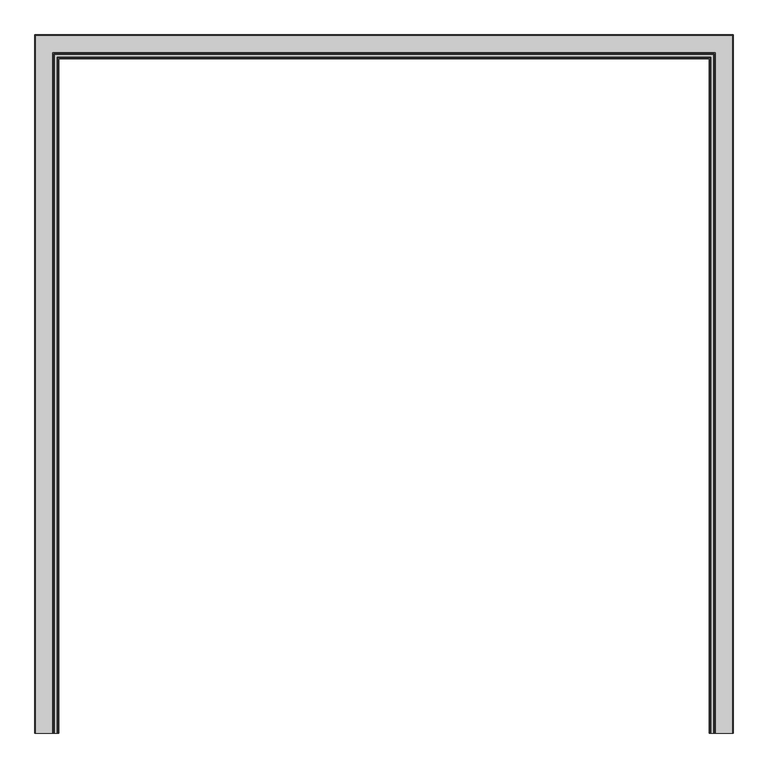
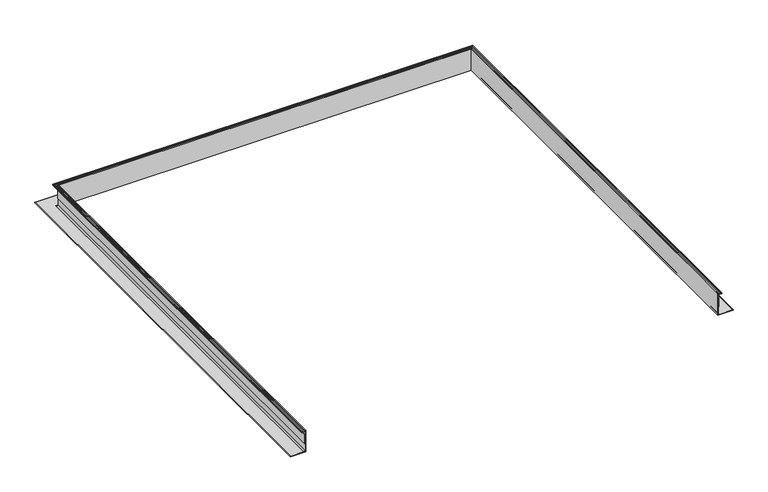
"""IFC4 building model written with IfcOpenShell, lengths in millimetres: fastener geometry."""

from ifc_helpers import new_model, si_unit, frame, origin, place, context, project, spatial, polyline, circle_curve, ellipse_curve, outline, extrude, source, transform, mapped, element, save
from ifc_brep_helpers import plane_surface, cylinder_surface, revolved_surface, advanced_brep


def fastener_108085fb(model_context):
    return source(origin(), model_context, "Body", "SolidModel", [
        advanced_brep(
        [(-1135.3165, -1219.2, -15.1804688), (-1141.2343456, -1219.2, -15.1804688), (-1141.460117, -1219.2, -17.1999455), (-1140.3710112, -1219.2, -18.2679836), (-1140.8594568, -1219.2, -19.21101), (-1152.5091166, -1219.2, -19.21101), (-1152.9649499, -1219.2, -18.2679836), (-1151.9131963, -1219.2, -17.1999455), (-1152.1178999, -1219.2, -15.1804688), (-1156.2117258, -1219.2, -15.1804688), (-1156.2117258, -1219.2, -21.87801), (-1137.9835, -1219.2, -21.87801), (-1137.9835, -1219.2, -129.2836108), (-1145.5344517, -1219.2, -136.8345625), (-1217.8665, -1219.2, -136.8345625), (-1217.8665, -1219.2, -139.5015625), (-1135.3165, -1219.2, -139.5015625), (1135.3165, -1219.2, -15.1804688), (1135.3165, -1219.2, -139.5015625), (1217.8665, -1219.2, -139.5015625), (1217.8665, -1219.2, -136.8345625), (1145.5344517, -1219.2, -136.8345625), (1137.9835, -1219.2, -129.2836108), (1137.9835, -1219.2, -21.87801), (1156.2117258, -1219.2, -21.87801), (1156.2117258, -1219.2, -15.1804688), (1152.1178999, -1219.2, -15.1804688), (1151.9131963, -1219.2, -17.1999455), (1152.9649499, -1219.2, -18.2679836), (1152.5091166, -1219.2, -19.21101), (1140.8594568, -1219.2, -19.21101), (1140.3710112, -1219.2, -18.2679836), (1141.460117, -1219.2, -17.1999455), (1141.2343456, -1219.2, -15.1804688), (-1141.460117, 1141.460117, -17.1999455), (-1141.2343456, 1141.2343456, -15.1804688), (1141.2343456, 1141.2343456, -15.1804688), (1141.460117, 1141.460117, -17.1999455), (-1140.3710112, 1140.3710112, -18.2679836), (1140.3710112, 1140.3710112, -18.2679836), (-1140.8594568, 1140.8594568, -19.21101), (1140.8594568, 1140.8594568, -19.21101), (-1152.9649499, 1152.9649499, -18.2679836), (-1152.5091166, 1152.5091166, -19.21101), (1152.5091166, 1152.5091166, -19.21101), (1152.9649499, 1152.9649499, -18.2679836), (-1151.9131963, 1151.9131963, -17.1999455), (1151.9131963, 1151.9131963, -17.1999455), (-1152.1178999, 1152.1178999, -15.1804688), (1152.1178999, 1152.1178999, -15.1804688), (-1156.2117258, 1156.2117258, -21.87801), (-1156.2117258, 1156.2117258, -15.1804688), (1156.2117258, 1156.2117258, -15.1804688), (1156.2117258, 1156.2117258, -21.87801), (-1137.9835, 1137.9835, -129.2836108), (-1137.9835, 1137.9835, -21.87801), (1137.9835, 1137.9835, -21.87801), (1137.9835, 1137.9835, -129.2836108), (-1145.5344517, 1145.5344517, -136.8345625), (1145.5344517, 1145.5344517, -136.8345625), (-1217.8665, 1217.8665, -139.5015625), (-1217.8665, 1217.8665, -136.8345625), (1217.8665, 1217.8665, -136.8345625), (1217.8665, 1217.8665, -139.5015625), (-1135.3165, 1135.3165, -15.1804688), (-1135.3165, 1135.3165, -139.5015625), (1135.3165, 1135.3165, -139.5015625), (1135.3165, 1135.3165, -15.1804688)],
        [
            (0, 1),
            (1, 2, circle_curve(frame((-1140.5022273, -1219.2, -16.284676), z_axis=(0.0, -1.0, 0.0), x_axis=(-1.0, 0.0, 0.0)), 1.3248664)),
            (2, 3),
            (3, 4, circle_curve(frame((-1140.8594568, -1219.2, -18.6130003), z_axis=(0.0, 1.0, 0.0), x_axis=(-1.0, 0.0, 0.0)), 0.5980097)),
            (4, 5),
            (5, 6, circle_curve(frame((-1152.5091166, -1219.2, -18.6293281), z_axis=(0.0, 1.0, 0.0), x_axis=(-1.0, 0.0, 0.0)), 0.5816819)),
            (6, 7),
            (7, 8, circle_curve(frame((-1152.8274757, -1219.2, -16.2725079), z_axis=(0.0, -1.0, 0.0), x_axis=(-1.0, 0.0, 0.0)), 1.3023238)),
            (8, 9),
            (9, 10),
            (10, 11),
            (11, 12),
            (12, 13, circle_curve(frame((-1145.5344517, -1219.2, -129.2836108), z_axis=(0.0, 1.0, 0.0), x_axis=(-1.0, 0.0, 0.0)), 7.5509517)),
            (13, 14),
            (14, 15, circle_curve(frame((-1217.8665, -1219.2, -138.1680625), z_axis=(0.0, -1.0, 0.0), x_axis=(-1.0, 0.0, 0.0)), 1.3335)),
            (15, 16),
            (16, 0),
            (17, 18),
            (18, 19),
            (19, 20, circle_curve(frame((1217.8665, -1219.2, -138.1680625), z_axis=(0.0, -1.0, 0.0), x_axis=(1.0, 0.0, 0.0)), 1.3335)),
            (20, 21),
            (21, 22, circle_curve(frame((1145.5344517, -1219.2, -129.2836108), z_axis=(0.0, 1.0, 0.0), x_axis=(1.0, 0.0, 0.0)), 7.5509517)),
            (22, 23),
            (23, 24),
            (24, 25),
            (25, 26),
            (26, 27, circle_curve(frame((1152.8274757, -1219.2, -16.2725079), z_axis=(0.0, -1.0, 0.0), x_axis=(1.0, 0.0, 0.0)), 1.3023238)),
            (27, 28),
            (28, 29, circle_curve(frame((1152.5091166, -1219.2, -18.6293281), z_axis=(0.0, 1.0, 0.0), x_axis=(1.0, 0.0, 0.0)), 0.5816819)),
            (29, 30),
            (30, 31, circle_curve(frame((1140.8594568, -1219.2, -18.6130003), z_axis=(0.0, 1.0, 0.0), x_axis=(1.0, 0.0, 0.0)), 0.5980097)),
            (31, 32),
            (32, 33, circle_curve(frame((1140.5022273, -1219.2, -16.284676), z_axis=(0.0, -1.0, 0.0), x_axis=(1.0, 0.0, 0.0)), 1.3248664)),
            (33, 17),
            (34, 35, ellipse_curve(frame((-1140.5022273, 1140.5022273, -16.284676), z_axis=(0.7071067811865475, 0.7071067811865475, 0.0), x_axis=(-0.7071067811865476, 0.7071067811865474, 0.0)), 1.873644, 1.3248664)),
            (35, 36),
            (36, 37, ellipse_curve(frame((1140.5022273, 1140.5022273, -16.284676), z_axis=(-0.7071067811865475, 0.7071067811865475, 0.0), x_axis=(-0.7071067811865476, -0.7071067811865474, 0.0)), 1.873644, 1.3248664)),
            (37, 34),
            (38, 34),
            (37, 39),
            (39, 38),
            (40, 38, ellipse_curve(frame((-1140.8594568, 1140.8594568, -18.6130003), z_axis=(-0.7071067811865475, -0.7071067811865475, 0.0), x_axis=(0.7071067811865476, -0.7071067811865474, 0.0)), 0.8457134, 0.5980097)),
            (39, 41, ellipse_curve(frame((1140.8594568, 1140.8594568, -18.6130003), z_axis=(0.7071067811865475, -0.7071067811865475, 0.0), x_axis=(0.7071067811865476, 0.7071067811865474, 0.0)), 0.8457134, 0.5980097)),
            (41, 40),
            (42, 43, ellipse_curve(frame((-1152.5091166, 1152.5091166, -18.6293281), z_axis=(-0.7071067811865475, -0.7071067811865475, 0.0), x_axis=(0.7071067811865476, -0.7071067811865474, 0.0)), 0.8226224, 0.5816819)),
            (43, 44),
            (44, 45, ellipse_curve(frame((1152.5091166, 1152.5091166, -18.6293281), z_axis=(0.7071067811865475, -0.7071067811865475, 0.0), x_axis=(0.7071067811865476, 0.7071067811865474, 0.0)), 0.8226224, 0.5816819)),
            (45, 42),
            (46, 42),
            (45, 47),
            (47, 46),
            (48, 46, ellipse_curve(frame((-1152.8274757, 1152.8274757, -16.2725079), z_axis=(0.7071067811865475, 0.7071067811865475, 0.0), x_axis=(-0.7071067811865476, 0.7071067811865474, 0.0)), 1.841764, 1.3023238)),
            (47, 49, ellipse_curve(frame((1152.8274757, 1152.8274757, -16.2725079), z_axis=(-0.7071067811865475, 0.7071067811865475, 0.0), x_axis=(-0.7071067811865476, -0.7071067811865474, 0.0)), 1.841764, 1.3023238)),
            (49, 48),
            (50, 51),
            (51, 52),
            (52, 53),
            (53, 50),
            (54, 55),
            (55, 56),
            (56, 57),
            (57, 54),
            (58, 54, ellipse_curve(frame((-1145.5344517, 1145.5344517, -129.2836108), z_axis=(-0.7071067811865475, -0.7071067811865475, 0.0), x_axis=(0.7071067811865476, -0.7071067811865474, 0.0)), 10.6786583, 7.5509517)),
            (57, 59, ellipse_curve(frame((1145.5344517, 1145.5344517, -129.2836108), z_axis=(0.7071067811865475, -0.7071067811865475, 0.0), x_axis=(0.7071067811865476, 0.7071067811865474, 0.0)), 10.6786583, 7.5509517)),
            (59, 58),
            (60, 61, ellipse_curve(frame((-1217.8665, 1217.8665, -138.1680625), z_axis=(0.7071067811865475, 0.7071067811865475, 0.0), x_axis=(-0.7071067811865476, 0.7071067811865474, 0.0)), 1.8858538, 1.3335)),
            (61, 62),
            (62, 63, ellipse_curve(frame((1217.8665, 1217.8665, -138.1680625), z_axis=(-0.7071067811865475, 0.7071067811865475, 0.0), x_axis=(-0.7071067811865476, -0.7071067811865474, 0.0)), 1.8858538, 1.3335)),
            (63, 60),
            (64, 65),
            (65, 66),
            (66, 67),
            (67, 64),
            (0, 64),
            (67, 17),
            (33, 36),
            (35, 1),
            (34, 2),
            (38, 3),
            (40, 4),
            (41, 30),
            (29, 44),
            (43, 5),
            (42, 6),
            (46, 7),
            (48, 8),
            (49, 26),
            (25, 52),
            (51, 9),
            (50, 10),
            (53, 24),
            (23, 56),
            (55, 11),
            (54, 12),
            (58, 13),
            (59, 21),
            (20, 62),
            (61, 14),
            (60, 15),
            (63, 19),
            (18, 66),
            (65, 16),
            (32, 37),
            (31, 39),
            (28, 45),
            (27, 47),
            (22, 57),
        ],
        [
            plane_surface(frame((-1219.2, -1219.2, 0.0), z_axis=(0.0, -1.0, 0.0), x_axis=(0.0, 0.0, 1.0))),
            plane_surface(frame((1219.2, -1219.2, 0.0), z_axis=(0.0, -1.0, 0.0), x_axis=(0.0, 0.0, 1.0))),
            cylinder_surface(frame((-1219.2, 1140.5022273, -16.284676), z_axis=(-1.0, 0.0, 0.0), x_axis=(0.0, 1.0, 0.0)), 1.3248664),
            plane_surface(frame((-1141.460117, 1141.460117, -17.1999455), z_axis=(0.0, 0.7001674507589581, -0.7139786697778175), x_axis=(1.0, 0.0, 0.0))),
            revolved_surface(polyline([(1141.4574664800805, 1141.4574665, -18.6130003), (-1141.4574664800805, 1141.4574665, -18.6130003)]), (-1219.2, 1140.8594568, -18.6130003), (1.0, 0.0, 0.0)),
            revolved_surface(polyline([(1153.090798477396, 1153.0907985, -18.6293281), (-1153.090798477396, 1153.0907985, -18.6293281)]), (-1219.2, 1152.5091166, -18.6293281), (1.0, 0.0, 0.0)),
            plane_surface(frame((-1152.9649499, 1152.9649499, -18.2679836), z_axis=(0.0, -0.712517845964901, -0.7016539882175101), x_axis=(1.0, 0.0, 0.0))),
            cylinder_surface(frame((-1219.2, 1152.8274757, -16.2725079), z_axis=(-1.0, 0.0, 0.0), x_axis=(0.0, 1.0, 0.0)), 1.3023238),
            plane_surface(frame((-1156.2117258, 1156.2117258, -15.1804688), z_axis=(0.0, 1.0, 0.0), x_axis=(1.0, 0.0, 0.0))),
            plane_surface(frame((-1137.9835, 1137.9835, -21.87801), z_axis=(0.0, 1.0, 0.0), x_axis=(1.0, 0.0, 0.0))),
            revolved_surface(polyline([(1153.0854033979042, 1153.0854034000001, -129.2836108), (-1153.0854033979042, 1153.0854034000001, -129.2836108)]), (-1219.2, 1145.5344517, -129.2836108), (1.0, 0.0, 0.0)),
            cylinder_surface(frame((-1219.2, 1217.8665, -138.1680625), z_axis=(-1.0, 0.0, 0.0), x_axis=(0.0, 1.0, 0.0)), 1.3335),
            plane_surface(frame((-1135.3165, 1135.3165, -139.5015625), z_axis=(0.0, -1.0, 0.0), x_axis=(1.0, 0.0, 0.0))),
            plane_surface(frame((-1135.3165, -1219.2, -15.1804688), z_axis=(0.0, 0.0, 1.0), x_axis=(0.0, 1.0, 0.0))),
            cylinder_surface(frame((-1140.5022273, -1219.2, -16.284676), z_axis=(0.0, -1.0, 0.0), x_axis=(-1.0, 0.0, 0.0)), 1.3248664),
            plane_surface(frame((-1141.460117, -1219.2, -17.1999455), z_axis=(-0.7001674507589581, 0.0, -0.7139786697778175), x_axis=(0.0, 1.0, 0.0))),
            revolved_surface(polyline([(-1141.4574665, 1141.4574664800805, -18.6130003), (-1141.4574665, -1219.2, -18.6130003)]), (-1140.8594568, -1219.2, -18.6130003), (0.0, 1.0, 0.0)),
            plane_surface(frame((-1140.8594568, -1219.2, -19.21101), z_axis=(0.0, 0.0, 1.0), x_axis=(0.0, 1.0, 0.0))),
            revolved_surface(polyline([(-1153.0907985, 1153.090798477396, -18.6293281), (-1153.0907985, -1219.2, -18.6293281)]), (-1152.5091166, -1219.2, -18.6293281), (0.0, 1.0, 0.0)),
            plane_surface(frame((-1152.9649499, -1219.2, -18.2679836), z_axis=(0.712517845964901, 0.0, -0.7016539882175101), x_axis=(0.0, 1.0, 0.0))),
            cylinder_surface(frame((-1152.8274757, -1219.2, -16.2725079), z_axis=(0.0, -1.0, 0.0), x_axis=(-1.0, 0.0, 0.0)), 1.3023238),
            plane_surface(frame((-1152.1178999, -1219.2, -15.1804688), z_axis=(0.0, 0.0, 1.0), x_axis=(0.0, 1.0, 0.0))),
            plane_surface(frame((-1156.2117258, -1219.2, -15.1804688), z_axis=(-1.0, 0.0, 0.0), x_axis=(0.0, 1.0, 0.0))),
            plane_surface(frame((-1156.2117258, -1219.2, -21.87801), z_axis=(0.0, 0.0, -1.0), x_axis=(0.0, 1.0, 0.0))),
            plane_surface(frame((-1137.9835, -1219.2, -21.87801), z_axis=(-1.0, 0.0, 0.0), x_axis=(0.0, 1.0, 0.0))),
            revolved_surface(polyline([(-1153.0854034000001, 1153.0854033979042, -129.2836108), (-1153.0854034000001, -1219.2, -129.2836108)]), (-1145.5344517, -1219.2, -129.2836108), (0.0, 1.0, 0.0)),
            plane_surface(frame((-1145.5344517, -1219.2, -136.8345625), z_axis=(0.0, 0.0, 1.0), x_axis=(0.0, 1.0, 0.0))),
            cylinder_surface(frame((-1217.8665, -1219.2, -138.1680625), z_axis=(0.0, -1.0, 0.0), x_axis=(-1.0, 0.0, 0.0)), 1.3335),
            plane_surface(frame((-1217.8665, -1219.2, -139.5015625), z_axis=(0.0, 0.0, -1.0), x_axis=(0.0, 1.0, 0.0))),
            plane_surface(frame((-1135.3165, -1219.2, -139.5015625), z_axis=(1.0, 0.0, 0.0), x_axis=(0.0, 1.0, 0.0))),
            cylinder_surface(frame((1140.5022273, 1219.2, -16.284676), z_axis=(0.0, 1.0, 0.0), x_axis=(1.0, 0.0, 0.0)), 1.3248664),
            plane_surface(frame((1141.460117, 1141.460117, -17.1999455), z_axis=(0.7001674507589581, 0.0, -0.7139786697778175), x_axis=(0.0, -1.0, 0.0))),
            revolved_surface(polyline([(1141.4574665, -1219.2, -18.6130003), (1141.4574665, 1141.4574664800805, -18.6130003)]), (1140.8594568, 1219.2, -18.6130003), (0.0, -1.0, 0.0)),
            revolved_surface(polyline([(1153.0907985, -1219.2, -18.6293281), (1153.0907985, 1153.090798477396, -18.6293281)]), (1152.5091166, 1219.2, -18.6293281), (0.0, -1.0, 0.0)),
            plane_surface(frame((1152.9649499, 1152.9649499, -18.2679836), z_axis=(-0.712517845964901, 0.0, -0.7016539882175101), x_axis=(0.0, -1.0, 0.0))),
            cylinder_surface(frame((1152.8274757, 1219.2, -16.2725079), z_axis=(0.0, 1.0, 0.0), x_axis=(1.0, 0.0, 0.0)), 1.3023238),
            plane_surface(frame((1156.2117258, 1156.2117258, -15.1804688), z_axis=(1.0, 0.0, 0.0), x_axis=(0.0, -1.0, 0.0))),
            plane_surface(frame((1137.9835, 1137.9835, -21.87801), z_axis=(1.0, 0.0, 0.0), x_axis=(0.0, -1.0, 0.0))),
            revolved_surface(polyline([(1153.0854034000001, -1219.2, -129.2836108), (1153.0854034000001, 1153.0854033979042, -129.2836108)]), (1145.5344517, 1219.2, -129.2836108), (0.0, -1.0, 0.0)),
            cylinder_surface(frame((1217.8665, 1219.2, -138.1680625), z_axis=(0.0, 1.0, 0.0), x_axis=(1.0, 0.0, 0.0)), 1.3335),
            plane_surface(frame((1135.3165, 1135.3165, -139.5015625), z_axis=(-1.0, 0.0, 0.0), x_axis=(0.0, -1.0, 0.0))),
        ],
        [
            (0, [[1, 2, 3, 4, 5, 6, 7, 8, 9, 10, 11, 12, 13, 14, 15, 16, 17]]),
            (1, [[18, 19, 20, 21, 22, 23, 24, 25, 26, 27, 28, 29, 30, 31, 32, 33, 34]]),
            (2, [[35, 36, 37, 38]]),
            (3, [[39, -38, 40, 41]]),
            (4, [[42, -41, 43, 44]]),
            (5, [[45, 46, 47, 48]]),
            (6, [[49, -48, 50, 51]]),
            (7, [[52, -51, 53, 54]]),
            (8, [[55, 56, 57, 58]]),
            (9, [[59, 60, 61, 62]]),
            (10, [[63, -62, 64, 65]]),
            (11, [[66, 67, 68, 69]]),
            (12, [[70, 71, 72, 73]]),
            (13, [[-1, 74, -73, 75, -34, 76, -36, 77]]),
            (14, [[-2, -77, -35, 78]]),
            (15, [[-3, -78, -39, 79]]),
            (16, [[-4, -79, -42, 80]]),
            (17, [[-5, -80, -44, 81, -30, 82, -46, 83]]),
            (18, [[-6, -83, -45, 84]]),
            (19, [[-7, -84, -49, 85]]),
            (20, [[-8, -85, -52, 86]]),
            (21, [[-9, -86, -54, 87, -26, 88, -56, 89]]),
            (22, [[-10, -89, -55, 90]]),
            (23, [[-11, -90, -58, 91, -24, 92, -60, 93]]),
            (24, [[-12, -93, -59, 94]]),
            (25, [[-13, -94, -63, 95]]),
            (26, [[-14, -95, -65, 96, -21, 97, -67, 98]]),
            (27, [[-15, -98, -66, 99]]),
            (28, [[-16, -99, -69, 100, -19, 101, -71, 102]]),
            (29, [[-17, -102, -70, -74]]),
            (30, [[-37, -76, -33, 103]]),
            (31, [[-40, -103, -32, 104]]),
            (32, [[-43, -104, -31, -81]]),
            (33, [[-47, -82, -29, 105]]),
            (34, [[-50, -105, -28, 106]]),
            (35, [[-53, -106, -27, -87]]),
            (36, [[-57, -88, -25, -91]]),
            (37, [[-61, -92, -23, 107]]),
            (38, [[-64, -107, -22, -96]]),
            (39, [[-68, -97, -20, -100]]),
            (40, [[-72, -101, -18, -75]]),
        ],
    ),
        extrude(outline(polyline([(-1137.9835, -1219.2), (-1139.9113319, -1219.2), (-1139.9113319, 1139.9113319), (1139.9113319, 1139.9113319), (1139.9113319, -1219.2), (1137.9835, -1219.2), (1137.9835, 1137.9835), (-1137.9835, 1137.9835), (-1137.9835, -1219.2)])), frame((0.0, 0.0, -92.5710938), z_axis=(0.0, 0.0, 1.0), x_axis=(1.0, 0.0, 0.0)), (0.0, 0.0, 1.0), 53.18125),
    ])


if __name__ == "__main__":
    model = new_model("IFC4")
    model_context = context("Model", 3, world=origin())
    ifc_project = project(units=[si_unit("LENGTHUNIT", "METRE", prefix="MILLI")], contexts=[model_context])
    site = spatial("IfcSite", under=ifc_project)
    building = spatial("IfcBuilding", under=site)
    placement = place(None, origin())
    fastener_shape = fastener_108085fb(model_context)
    element("IfcFastener", 1, at=placement, inside=building, context=model_context, shape_type="MappedRepresentation", body=[
        mapped(fastener_shape, transform((0.0, 0.0, 0.0), x_axis=(1.0, 0.0, 0.0), y_axis=(0.0, 1.0, 0.0), z_axis=(0.0, 0.0, 1.0))),
    ])
    save(model, "model.ifc")
